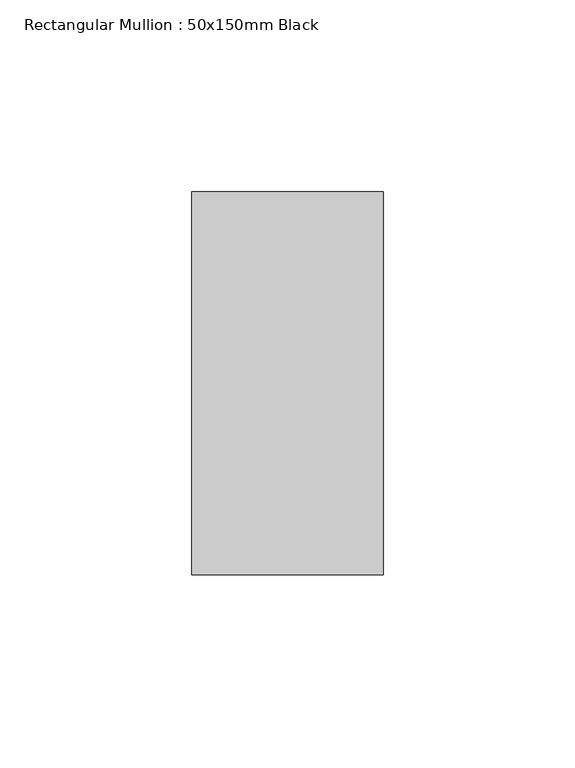
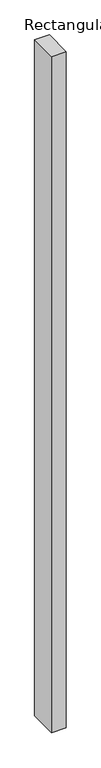
"""IFC4 building model written with IfcOpenShell, lengths in millimetres: member geometry, Rectangular Mullion : 50x150mm Black."""

import ifcopenshell
import ifcopenshell.guid

model = None  # the IFC model being written
_history = None  # IfcOwnerHistory: only IFC2X3 demands one
_inside = {}  # id of a spatial element -> (the spatial element, [elements in it])
_under = {}  # id of a project, library or spatial element -> (it, [spatial elements below it])
_declared = {}  # id of a project -> (the project, [libraries it declares])
_typed = {}  # id of a type object -> (the type object, [elements of that type])
_made_of = {}  # id of a material, layer set ... -> (it, [elements and type objects made of it])


def new_model(schema):
    """Start an empty IFC model of exactly this schema.

    Asked for "IFC4X3", IfcOpenShell would pick the latest addendum, in which some entities
    have other attributes; the version numbers below select the first issue.
    IFC2X3 requires an IfcOwnerHistory on every rooted entity: one is made here for all.
    """
    global model, _history
    if schema == "IFC4X3":
        model = ifcopenshell.file(schema_version=(4, 3, 0, 0))
    else:
        model = ifcopenshell.file(schema=schema)
    _inside.clear()
    _under.clear()
    _declared.clear()
    _typed.clear()
    _made_of.clear()
    _history = None
    if model.schema == "IFC2X3":
        org = make("IfcOrganization", Name="unknown")
        user = make(
            "IfcPersonAndOrganization",
            ThePerson=make("IfcPerson", FamilyName="unknown"),
            TheOrganization=org,
        )
        app = make(
            "IfcApplication",
            ApplicationDeveloper=org,
            Version="unknown",
            ApplicationFullName="unknown",
            ApplicationIdentifier="unknown",
        )
        _history = make(
            "IfcOwnerHistory",
            OwningUser=user,
            OwningApplication=app,
            ChangeAction="ADDED",
            CreationDate=0,
        )
    return model


def make(cls, **values):
    """One entity of the class cls with the attributes given. An attribute that is None is left unset."""
    return model.create_entity(
        cls, **{name: value for name, value in values.items() if value is not None}
    )


def rooted(cls, **values):
    """An entity with a GlobalId (a new one), such as an element, a storey or a relation."""
    return make(cls, GlobalId=ifcopenshell.guid.new(), OwnerHistory=_history, **values)


def si_unit(unit_type, name, prefix=None):
    """IfcSIUnit, for example si_unit("LENGTHUNIT", "METRE", prefix="MILLI")."""
    return make("IfcSIUnit", UnitType=unit_type, Prefix=prefix, Name=name)


def assignment(units):
    """IfcUnitAssignment: the units of a project."""
    return None if units is None else make("IfcUnitAssignment", Units=units)


def point(xyz):
    """IfcCartesianPoint."""
    return None if xyz is None else make("IfcCartesianPoint", Coordinates=xyz)


def direction(xyz):
    """IfcDirection."""
    return None if xyz is None else make("IfcDirection", DirectionRatios=xyz)


def frame(location, z_axis=None, x_axis=None):
    """IfcAxis2Placement3D, a coordinate frame: its origin and axes. An axis left out is left unset."""
    return make(
        "IfcAxis2Placement3D",
        Location=point(location),
        Axis=direction(z_axis),
        RefDirection=direction(x_axis),
    )


def origin():
    """The frame at (0, 0, 0) with its axes left unset."""
    return frame((0.0, 0.0, 0.0))


def place(relative_to, where):
    """IfcLocalPlacement: puts the frame where relative to a parent placement (None: the world)."""
    return make(
        "IfcLocalPlacement", PlacementRelTo=relative_to, RelativePlacement=where
    )


def context(
    kind, dimensions, precision=None, world=None, true_north=None, identifier=None
):
    """IfcGeometricRepresentationContext, for example the 3D "Model" context."""
    return make(
        "IfcGeometricRepresentationContext",
        ContextIdentifier=identifier,
        ContextType=kind,
        CoordinateSpaceDimension=dimensions,
        Precision=precision,
        WorldCoordinateSystem=world,
        TrueNorth=true_north,
    )


def project(units=None, contexts=None):
    """IfcProject with its units and contexts."""
    return rooted(
        "IfcProject",
        Name="project",
        RepresentationContexts=contexts,
        UnitsInContext=assignment(units),
    )


def spatial(cls, under=None, at=None, **own):
    """A site, building, storey or space (cls), placed at a placement, below another one or the project."""
    s = rooted(cls, ObjectPlacement=at, **own)
    if under is not None:
        _under.setdefault(under.id(), (under, []))[1].append(s)
    return s


def polyline(points):
    """IfcPolyline through the points."""
    return make("IfcPolyline", Points=[point(p) for p in points])


def outline(outer, holes=None, kind="AREA"):
    """IfcArbitraryClosedProfileDef: a profile drawn as a closed curve; with holes, ...WithVoids."""
    if holes is None:
        return make("IfcArbitraryClosedProfileDef", ProfileType=kind, OuterCurve=outer)
    return make(
        "IfcArbitraryProfileDefWithVoids",
        ProfileType=kind,
        OuterCurve=outer,
        InnerCurves=holes,
    )


def extrude(swept, where, along, depth):
    """IfcExtrudedAreaSolid: the profile swept, set in the frame where, extruded along a direction by depth."""
    return make(
        "IfcExtrudedAreaSolid",
        SweptArea=swept,
        Position=where,
        ExtrudedDirection=direction(along),
        Depth=depth,
    )


def shape(context_of_items, identifier, shape_type, items):
    """IfcShapeRepresentation: the items that make up one representation, for example the "Body"."""
    return make(
        "IfcShapeRepresentation",
        ContextOfItems=context_of_items,
        RepresentationIdentifier=identifier,
        RepresentationType=shape_type,
        Items=items,
    )


def source(mapping_origin, context_of_items, identifier, shape_type, items):
    """IfcRepresentationMap: a shape defined once, which mapped items show again and again."""
    return make(
        "IfcRepresentationMap",
        MappingOrigin=mapping_origin,
        MappedRepresentation=shape(context_of_items, identifier, shape_type, items),
    )


def transform(
    local_origin,
    x_axis=None,
    y_axis=None,
    z_axis=None,
    scale=None,
    scale2=None,
    scale3=None,
    uniform=True,
):
    """IfcCartesianTransformationOperator3D, or its non-uniform kind. x_axis, y_axis, z_axis: its Axis1, 2, 3."""
    if uniform:
        return make(
            "IfcCartesianTransformationOperator3D",
            Axis1=direction(x_axis),
            Axis2=direction(y_axis),
            LocalOrigin=point(local_origin),
            Scale=scale,
            Axis3=direction(z_axis),
        )
    return make(
        "IfcCartesianTransformationOperator3DnonUniform",
        Axis1=direction(x_axis),
        Axis2=direction(y_axis),
        LocalOrigin=point(local_origin),
        Scale=scale,
        Axis3=direction(z_axis),
        Scale2=scale2,
        Scale3=scale3,
    )


def mapped(mapping_source, mapping_target):
    """IfcMappedItem: shows the shape of a source again, moved by a transform."""
    return make(
        "IfcMappedItem", MappingSource=mapping_source, MappingTarget=mapping_target
    )


def made_of(thing, what):
    """Note that an element or type object is made of a material, layer set ...; save() writes the relation."""
    if what is not None:
        _made_of.setdefault(what.id(), (what, []))[1].append(thing)
    return thing


def element(
    cls,
    number,
    at=None,
    inside=None,
    cuts=None,
    type_object=None,
    material=None,
    context=None,
    identifier="Body",
    shape_type=None,
    held_by="IfcProductDefinitionShape",
    body=None,
    shapes=None,
    **own,
):
    """One element of the class cls, such as IfcWall. Its Tag is "e" and its number.

    at: its placement. inside: the storey or other place that contains it. cuts: it is an
    opening in that element (IfcRelVoidsElement). A single representation is given by context,
    identifier, shape_type and body (its items); several are given by shapes. held_by: the class
    of the entity that holds the representations. save() writes the other relations.
    """
    e = rooted(cls, Tag="e%d" % number, ObjectPlacement=at, **own)
    if body is not None:
        shapes = [shape(context, identifier, shape_type, body)]
    if shapes is not None:
        e.Representation = make(held_by, Representations=shapes)
    if inside is not None:
        _inside.setdefault(inside.id(), (inside, []))[1].append(e)
    if cuts is not None:
        rooted(
            "IfcRelVoidsElement", RelatingBuildingElement=cuts, RelatedOpeningElement=e
        )
    if type_object is not None:
        _typed.setdefault(type_object.id(), (type_object, []))[1].append(e)
    return made_of(e, material)


def aggregate(whole, parts):
    """IfcRelAggregates: a whole, such as a stair, and the parts it consists of."""
    return rooted("IfcRelAggregates", RelatingObject=whole, RelatedObjects=parts)


def save(model, path):
    """Write the relations noted so far, then the file.

    IfcRelAggregates (storeys below a building ...), IfcRelContainedInSpatialStructure (elements
    in a storey), IfcRelDefinesByType, IfcRelAssociatesMaterial and IfcRelDeclares: one each for
    every whole, place, type object, material and project.
    """
    for whole, parts in _under.values():
        aggregate(whole, parts)
    for where, things in _inside.values():
        rooted(
            "IfcRelContainedInSpatialStructure",
            RelatedElements=things,
            RelatingStructure=where,
        )
    for kind, things in _typed.values():
        rooted("IfcRelDefinesByType", RelatedObjects=things, RelatingType=kind)
    for what, things in _made_of.values():
        rooted("IfcRelAssociatesMaterial", RelatedObjects=things, RelatingMaterial=what)
    for by, libraries in _declared.values():
        rooted("IfcRelDeclares", RelatingContext=by, RelatedDefinitions=libraries)
    model.write(path)


def rectangular_mullion_50x150mm_black_97a615ab(model_context):
    return source(origin(), model_context, "Body", "SweptSolid", [
        extrude(outline(polyline([(0.0, 50.0), (0.0, -50.0), (-50.0, -50.0), (-50.0, 50.0), (0.0, 50.0)])), frame((0.0, 0.0, -2447.5975375), z_axis=(0.0, 0.0, 1.0), x_axis=(1.0, 0.0, 0.0)), (0.0, 0.0, 1.0), 2447.5975375),
    ])


if __name__ == "__main__":
    model = new_model("IFC4")
    model_context = context("Model", 3, world=origin())
    ifc_project = project(units=[si_unit("LENGTHUNIT", "METRE", prefix="MILLI")], contexts=[model_context])
    site = spatial("IfcSite", under=ifc_project)
    building = spatial("IfcBuilding", under=site)
    placement = place(None, origin())
    rectangular_mullion_50x150mm_black_shape = rectangular_mullion_50x150mm_black_97a615ab(model_context)
    element("IfcMember", 1, ObjectType="Rectangular Mullion : 50x150mm Black", at=placement, inside=building, context=model_context, shape_type="MappedRepresentation", body=[
        mapped(rectangular_mullion_50x150mm_black_shape, transform((0.0, 0.0, 0.0), x_axis=(1.0, 0.0, 0.0), y_axis=(0.0, 1.0, 0.0), z_axis=(0.0, 0.0, 1.0))),
    ])
    save(model, "model.ifc")
